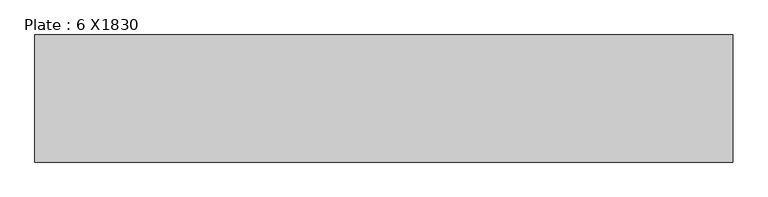
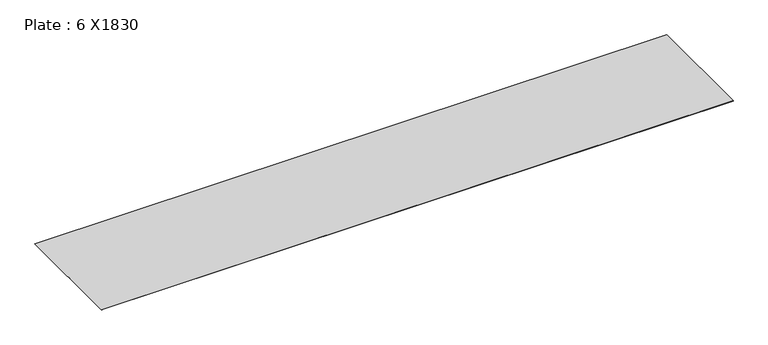
"""IFC4 building model written with IfcOpenShell, lengths in millimetres: beam geometry, Plate : 6 X1830."""

from ifc_helpers import new_model, si_unit, frame, origin, place, context, project, spatial, polyline, outline, extrude, source, transform, mapped, element, save


def plate_6_x1830_fc3b94f7(model_context):
    return source(origin(), model_context, "Body", "SweptSolid", [
        extrude(outline(polyline([(9775.0, 915.0), (9775.0, -915.0), (-275.0, -915.0), (-275.0, 915.0), (9775.0, 915.0)])), frame((0.0, 0.0, -3.0), z_axis=(0.0, 0.0, 1.0), x_axis=(1.0, 0.0, 0.0)), (0.0, 0.0, 1.0), 6.0),
    ])


if __name__ == "__main__":
    model = new_model("IFC4")
    model_context = context("Model", 3, world=origin())
    ifc_project = project(units=[si_unit("LENGTHUNIT", "METRE", prefix="MILLI")], contexts=[model_context])
    site = spatial("IfcSite", under=ifc_project)
    building = spatial("IfcBuilding", under=site)
    placement = place(None, origin())
    plate_6_x1830_shape = plate_6_x1830_fc3b94f7(model_context)
    element("IfcBeam", 1, ObjectType="Plate : 6 X1830", at=placement, inside=building, context=model_context, shape_type="MappedRepresentation", body=[
        mapped(plate_6_x1830_shape, transform((0.0, 0.0, 0.0), x_axis=(1.0, 0.0, 0.0), y_axis=(0.0, 1.0, 0.0), z_axis=(0.0, 0.0, 1.0))),
    ])
    save(model, "model.ifc")
